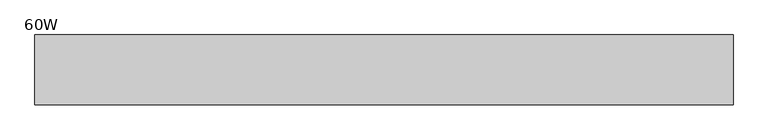
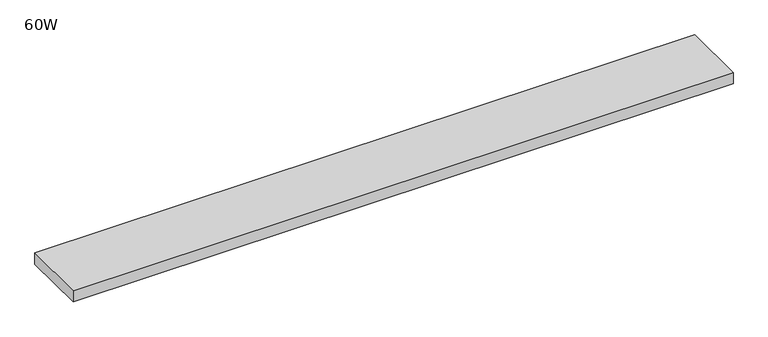
"""IFC4 building model written with IfcOpenShell, lengths in millimetres: furniture geometry, 60W."""

from ifc_helpers import new_model, si_unit, frame, origin, place, context, project, spatial, polyline, outline, extrude, source, transform, mapped, element, save


def furniture_60w_a496cf81(model_context):
    return source(origin(), model_context, "Body", "SweptSolid", [
        extrude(outline(polyline([(1524.0, 0.0), (1524.0, -152.4), (0.0, -152.4), (0.0, 0.0), (1524.0, 0.0)])), frame((0.0, 0.0, 273.05), z_axis=(0.0, 0.0, 1.0), x_axis=(1.0, 0.0, 0.0)), (0.0, 0.0, 1.0), 26.924),
    ])


if __name__ == "__main__":
    model = new_model("IFC4")
    model_context = context("Model", 3, world=origin())
    ifc_project = project(units=[si_unit("LENGTHUNIT", "METRE", prefix="MILLI")], contexts=[model_context])
    site = spatial("IfcSite", under=ifc_project)
    building = spatial("IfcBuilding", under=site)
    placement = place(None, origin())
    furniture_60w_shape = furniture_60w_a496cf81(model_context)
    element("IfcFurniture", 1, ObjectType="60W", at=placement, inside=building, context=model_context, shape_type="MappedRepresentation", body=[
        mapped(furniture_60w_shape, transform((0.0, 0.0, 0.0), x_axis=(1.0, 0.0, 0.0), y_axis=(0.0, 1.0, 0.0), z_axis=(0.0, 0.0, 1.0))),
    ])
    save(model, "model.ifc")
